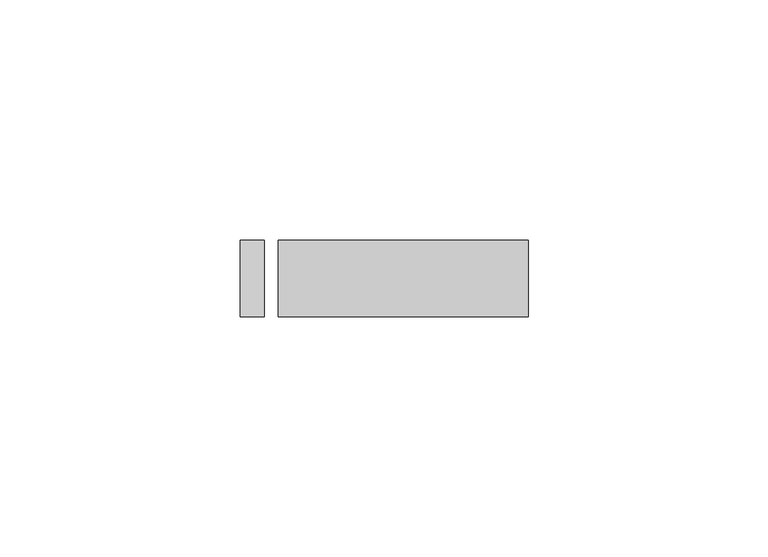
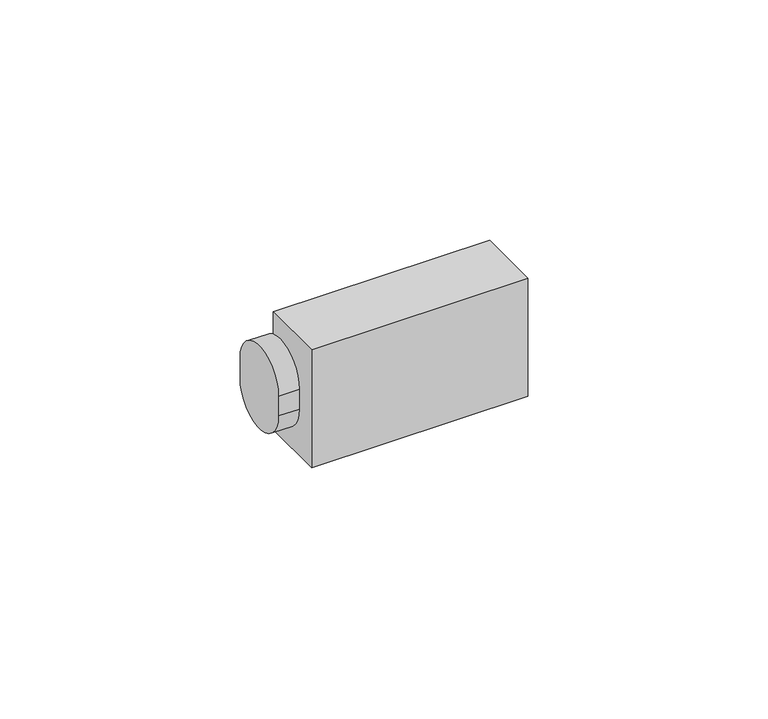
"""IFC4 building model written with IfcOpenShell, lengths in millimetres: proxy geometry."""

from ifc_helpers import new_model, si_unit, point, frame, frame_2d, origin, origin_with_axes, place, context, project, spatial, polyline, circle_curve, trimmed, segment, composite_curve, outline, extrude, source, transform, mapped, element, save


def specialty_equipment_0c11f948(model_context):
    return source(origin(), model_context, "Body", "SweptSolid", [
        extrude(outline(composite_curve([segment(trimmed(circle_curve(frame_2d((0.0, 16.0)), 8.0), [point((8.0, 16.0))], [point((-8.0, 16.0))], False, "CARTESIAN"), True, "CONTINUOUS"), segment(polyline([(-8.0, 16.0), (-8.0, 21.0)]), True, "CONTINUOUS"), segment(trimmed(circle_curve(frame_2d((0.0, 21.0)), 8.0), [point((-8.0, 21.0))], [point((8.0, 21.0))], False, "CARTESIAN"), True, "CONTINUOUS"), segment(polyline([(8.0, 21.0), (8.0, 16.0)]), True, "CONTINUOUS")], self_intersect=False)), frame((0.0, 0.0, 0.0), z_axis=(1.0, 0.0, 0.0), x_axis=(0.0, 1.0, 0.0)), (0.0, 0.0, 1.0), 5.0),
        extrude(outline(polyline([(60.0, 8.0), (60.0, -8.0), (8.0, -8.0), (8.0, 8.0), (60.0, 8.0)])), origin_with_axes(), (0.0, 0.0, 1.0), 30.0),
    ])


if __name__ == "__main__":
    model = new_model("IFC4")
    model_context = context("Model", 3, world=origin())
    ifc_project = project(units=[si_unit("LENGTHUNIT", "METRE", prefix="MILLI")], contexts=[model_context])
    site = spatial("IfcSite", under=ifc_project)
    building = spatial("IfcBuilding", under=site)
    placement = place(None, origin())
    specialty_equipment_shape = specialty_equipment_0c11f948(model_context)
    element("IfcBuildingElementProxy", 1, Name="Specialty Equipment", at=placement, inside=building, context=model_context, shape_type="MappedRepresentation", body=[
        mapped(specialty_equipment_shape, transform((0.0, 0.0, 0.0), x_axis=(1.0, 0.0, 0.0), y_axis=(0.0, 1.0, 0.0), z_axis=(0.0, 0.0, 1.0))),
    ])
    save(model, "model.ifc")
